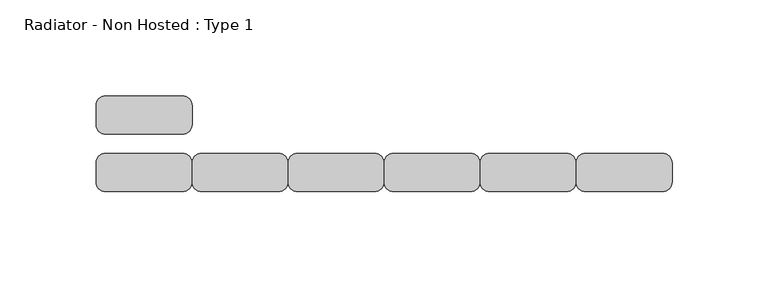
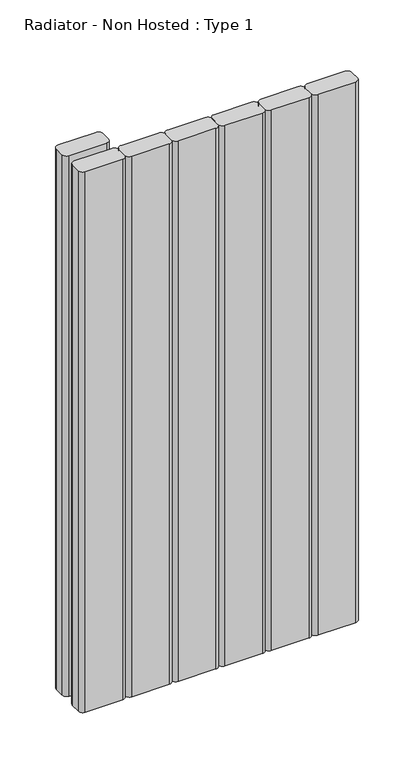
"""IFC4 building model written with IfcOpenShell, lengths in millimetres: proxy geometry, Radiator - Non Hosted : Type 1."""

from ifc_helpers import new_model, si_unit, point, frame, frame_2d, origin, place, context, project, spatial, polyline, circle_curve, trimmed, segment, composite_curve, outline, extrude, source, transform, mapped, element, save


def radiator_non_hosted_type_1_11851b07(model_context):
    return source(origin(), model_context, "Body", "SweptSolid", [
        extrude(outline(composite_curve([segment(trimmed(circle_curve(frame_2d((395.0, 55.0)), 5.0), [point((395.0, 60.0))], [point((400.0, 55.0))], False, "CARTESIAN"), True, "CONTINUOUS"), segment(polyline([(400.0, 55.0), (400.0, 45.0)]), True, "CONTINUOUS"), segment(trimmed(circle_curve(frame_2d((395.0, 45.0)), 5.0), [point((400.0, 45.0))], [point((395.0, 40.0))], False, "CARTESIAN"), True, "CONTINUOUS"), segment(polyline([(395.0, 40.0), (355.0, 40.0)]), True, "CONTINUOUS"), segment(trimmed(circle_curve(frame_2d((355.0, 45.0)), 5.0), [point((355.0, 40.0))], [point((350.0, 45.0))], False, "CARTESIAN"), True, "CONTINUOUS"), segment(polyline([(350.0, 45.0), (350.0, 55.0)]), True, "CONTINUOUS"), segment(trimmed(circle_curve(frame_2d((355.0, 55.0)), 5.0), [point((350.0, 55.0))], [point((355.0, 60.0))], False, "CARTESIAN"), True, "CONTINUOUS"), segment(polyline([(355.0, 60.0), (395.0, 60.0)]), True, "CONTINUOUS")], self_intersect=False)), frame((0.0, 0.0, 100.0), z_axis=(0.0, 0.0, 1.0), x_axis=(1.0, 0.0, 0.0)), (0.0, 0.0, 1.0), 613.2484049),
        extrude(outline(composite_curve([segment(trimmed(circle_curve(frame_2d((345.0, 55.0)), 5.0), [point((345.0, 60.0))], [point((350.0, 55.0))], False, "CARTESIAN"), True, "CONTINUOUS"), segment(polyline([(350.0, 55.0), (350.0, 45.0)]), True, "CONTINUOUS"), segment(trimmed(circle_curve(frame_2d((345.0, 45.0)), 5.0), [point((350.0, 45.0))], [point((345.0, 40.0))], False, "CARTESIAN"), True, "CONTINUOUS"), segment(polyline([(345.0, 40.0), (305.0, 40.0)]), True, "CONTINUOUS"), segment(trimmed(circle_curve(frame_2d((305.0, 45.0)), 5.0), [point((305.0, 40.0))], [point((300.0, 45.0))], False, "CARTESIAN"), True, "CONTINUOUS"), segment(polyline([(300.0, 45.0), (300.0, 55.0)]), True, "CONTINUOUS"), segment(trimmed(circle_curve(frame_2d((305.0, 55.0)), 5.0), [point((300.0, 55.0))], [point((305.0, 60.0))], False, "CARTESIAN"), True, "CONTINUOUS"), segment(polyline([(305.0, 60.0), (345.0, 60.0)]), True, "CONTINUOUS")], self_intersect=False)), frame((0.0, 0.0, 100.0), z_axis=(0.0, 0.0, 1.0), x_axis=(1.0, 0.0, 0.0)), (0.0, 0.0, 1.0), 613.2484049),
        extrude(outline(composite_curve([segment(trimmed(circle_curve(frame_2d((295.0, 55.0)), 5.0), [point((295.0, 60.0))], [point((300.0, 55.0))], False, "CARTESIAN"), True, "CONTINUOUS"), segment(polyline([(300.0, 55.0), (300.0, 45.0)]), True, "CONTINUOUS"), segment(trimmed(circle_curve(frame_2d((295.0, 45.0)), 5.0), [point((300.0, 45.0))], [point((295.0, 40.0))], False, "CARTESIAN"), True, "CONTINUOUS"), segment(polyline([(295.0, 40.0), (255.0, 40.0)]), True, "CONTINUOUS"), segment(trimmed(circle_curve(frame_2d((255.0, 45.0)), 5.0), [point((255.0, 40.0))], [point((250.0, 45.0))], False, "CARTESIAN"), True, "CONTINUOUS"), segment(polyline([(250.0, 45.0), (250.0, 55.0)]), True, "CONTINUOUS"), segment(trimmed(circle_curve(frame_2d((255.0, 55.0)), 5.0), [point((250.0, 55.0))], [point((255.0, 60.0))], False, "CARTESIAN"), True, "CONTINUOUS"), segment(polyline([(255.0, 60.0), (295.0, 60.0)]), True, "CONTINUOUS")], self_intersect=False)), frame((0.0, 0.0, 100.0), z_axis=(0.0, 0.0, 1.0), x_axis=(1.0, 0.0, 0.0)), (0.0, 0.0, 1.0), 613.2484049),
        extrude(outline(composite_curve([segment(trimmed(circle_curve(frame_2d((245.0, 55.0)), 5.0), [point((245.0, 60.0))], [point((250.0, 55.0))], False, "CARTESIAN"), True, "CONTINUOUS"), segment(polyline([(250.0, 55.0), (250.0, 45.0)]), True, "CONTINUOUS"), segment(trimmed(circle_curve(frame_2d((245.0, 45.0)), 5.0), [point((250.0, 45.0))], [point((245.0, 40.0))], False, "CARTESIAN"), True, "CONTINUOUS"), segment(polyline([(245.0, 40.0), (205.0, 40.0)]), True, "CONTINUOUS"), segment(trimmed(circle_curve(frame_2d((205.0, 45.0)), 5.0), [point((205.0, 40.0))], [point((200.0, 45.0))], False, "CARTESIAN"), True, "CONTINUOUS"), segment(polyline([(200.0, 45.0), (200.0, 55.0)]), True, "CONTINUOUS"), segment(trimmed(circle_curve(frame_2d((205.0, 55.0)), 5.0), [point((200.0, 55.0))], [point((205.0, 60.0))], False, "CARTESIAN"), True, "CONTINUOUS"), segment(polyline([(205.0, 60.0), (245.0, 60.0)]), True, "CONTINUOUS")], self_intersect=False)), frame((0.0, 0.0, 100.0), z_axis=(0.0, 0.0, 1.0), x_axis=(1.0, 0.0, 0.0)), (0.0, 0.0, 1.0), 613.2484049),
        extrude(outline(composite_curve([segment(trimmed(circle_curve(frame_2d((195.0, 55.0)), 5.0), [point((195.0, 60.0))], [point((200.0, 55.0))], False, "CARTESIAN"), True, "CONTINUOUS"), segment(polyline([(200.0, 55.0), (200.0, 45.0)]), True, "CONTINUOUS"), segment(trimmed(circle_curve(frame_2d((195.0, 45.0)), 5.0), [point((200.0, 45.0))], [point((195.0, 40.0))], False, "CARTESIAN"), True, "CONTINUOUS"), segment(polyline([(195.0, 40.0), (155.0, 40.0)]), True, "CONTINUOUS"), segment(trimmed(circle_curve(frame_2d((155.0, 45.0)), 5.0), [point((155.0, 40.0))], [point((150.0, 45.0))], False, "CARTESIAN"), True, "CONTINUOUS"), segment(polyline([(150.0, 45.0), (150.0, 55.0)]), True, "CONTINUOUS"), segment(trimmed(circle_curve(frame_2d((155.0, 55.0)), 5.0), [point((150.0, 55.0))], [point((155.0, 60.0))], False, "CARTESIAN"), True, "CONTINUOUS"), segment(polyline([(155.0, 60.0), (195.0, 60.0)]), True, "CONTINUOUS")], self_intersect=False)), frame((0.0, 0.0, 100.0), z_axis=(0.0, 0.0, 1.0), x_axis=(1.0, 0.0, 0.0)), (0.0, 0.0, 1.0), 613.2484049),
        extrude(outline(composite_curve([segment(trimmed(circle_curve(frame_2d((145.0, 85.0)), 5.0), [point((145.0, 90.0))], [point((150.0, 85.0))], False, "CARTESIAN"), True, "CONTINUOUS"), segment(polyline([(150.0, 85.0), (150.0, 75.0)]), True, "CONTINUOUS"), segment(trimmed(circle_curve(frame_2d((145.0, 75.0)), 5.0), [point((150.0, 75.0))], [point((145.0, 70.0))], False, "CARTESIAN"), True, "CONTINUOUS"), segment(polyline([(145.0, 70.0), (105.0, 70.0)]), True, "CONTINUOUS"), segment(trimmed(circle_curve(frame_2d((105.0, 75.0)), 5.0), [point((105.0, 70.0))], [point((100.0, 75.0))], False, "CARTESIAN"), True, "CONTINUOUS"), segment(polyline([(100.0, 75.0), (100.0, 85.0)]), True, "CONTINUOUS"), segment(trimmed(circle_curve(frame_2d((105.0, 85.0)), 5.0), [point((100.0, 85.0))], [point((105.0, 90.0))], False, "CARTESIAN"), True, "CONTINUOUS"), segment(polyline([(105.0, 90.0), (145.0, 90.0)]), True, "CONTINUOUS")], self_intersect=False)), frame((0.0, 0.0, 100.0), z_axis=(0.0, 0.0, 1.0), x_axis=(1.0, 0.0, 0.0)), (0.0, 0.0, 1.0), 613.2484049),
        extrude(outline(composite_curve([segment(trimmed(circle_curve(frame_2d((145.0, 55.0)), 5.0), [point((145.0, 60.0))], [point((150.0, 55.0))], False, "CARTESIAN"), True, "CONTINUOUS"), segment(polyline([(150.0, 55.0), (150.0, 45.0)]), True, "CONTINUOUS"), segment(trimmed(circle_curve(frame_2d((145.0, 45.0)), 5.0), [point((150.0, 45.0))], [point((145.0, 40.0))], False, "CARTESIAN"), True, "CONTINUOUS"), segment(polyline([(145.0, 40.0), (105.0, 40.0)]), True, "CONTINUOUS"), segment(trimmed(circle_curve(frame_2d((105.0, 45.0)), 5.0), [point((105.0, 40.0))], [point((100.0, 45.0))], False, "CARTESIAN"), True, "CONTINUOUS"), segment(polyline([(100.0, 45.0), (100.0, 55.0)]), True, "CONTINUOUS"), segment(trimmed(circle_curve(frame_2d((105.0, 55.0)), 5.0), [point((100.0, 55.0))], [point((105.0, 60.0))], False, "CARTESIAN"), True, "CONTINUOUS"), segment(polyline([(105.0, 60.0), (145.0, 60.0)]), True, "CONTINUOUS")], self_intersect=False)), frame((0.0, 0.0, 100.0), z_axis=(0.0, 0.0, 1.0), x_axis=(1.0, 0.0, 0.0)), (0.0, 0.0, 1.0), 613.2484049),
    ])


if __name__ == "__main__":
    model = new_model("IFC4")
    model_context = context("Model", 3, world=origin())
    ifc_project = project(units=[si_unit("LENGTHUNIT", "METRE", prefix="MILLI")], contexts=[model_context])
    site = spatial("IfcSite", under=ifc_project)
    building = spatial("IfcBuilding", under=site)
    placement = place(None, origin())
    radiator_non_hosted_type_1_shape = radiator_non_hosted_type_1_11851b07(model_context)
    element("IfcBuildingElementProxy", 1, Name="Radiator - Non Hosted : Type 1", ObjectType="Radiator - Non Hosted : Type 1", at=placement, inside=building, context=model_context, shape_type="MappedRepresentation", body=[
        mapped(radiator_non_hosted_type_1_shape, transform((0.0, 0.0, 0.0), x_axis=(1.0, 0.0, 0.0), y_axis=(0.0, 1.0, 0.0), z_axis=(0.0, 0.0, 1.0))),
    ])
    save(model, "model.ifc")
